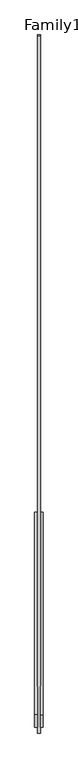
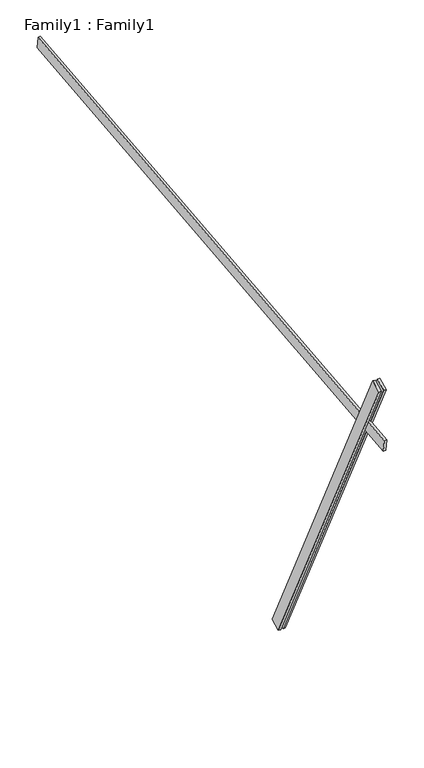
"""IFC4 building model written with IfcOpenShell, lengths in millimetres: proxy geometry, Family1 : Family1."""

from ifc_helpers import new_model, si_unit, frame, origin, place, context, project, spatial, polyline, outline, extrude, source, transform, mapped, element, save


def family1_family1_c6ade66f(model_context):
    return source(origin(), model_context, "Body", "SweptSolid", [
        extrude(outline(polyline([(0.0, 0.0), (-100.0000001, 0.0), (-100.0000001, 20.0), (0.0, 20.0), (0.0, 0.0)])), frame((-30.0, -46.3241747, -22.5938096), z_axis=(0.0, -0.4383711467890692, 0.8987940462991711), x_axis=(0.0, -0.8987940462991711, -0.4383711467890692)), (0.0, 0.0, 1.0), 3300.0),
        extrude(outline(polyline([(0.0, 0.0), (-99.9999999, 0.0), (-99.9999999, 20.0), (0.0, 20.0), (0.0, 0.0)])), frame((10.0, -45.270232, -22.0797674), z_axis=(0.0, -0.4383711467890692, 0.8987940462991711), x_axis=(0.0, -0.8987940462991711, -0.4383711467890692)), (0.0, 0.0, 1.0), 3300.0),
        extrude(outline(polyline([(0.0, 20.0), (5000.0, 20.0), (5000.0, 0.0), (0.0, 0.0), (0.0, 20.0)])), frame((-10.0, 3450.3120931, 2957.9993892), z_axis=(0.0, -0.10452846326765562, 0.9945218953682732), x_axis=(0.0, -0.9945218953682732, -0.10452846326765562)), (0.0, 0.0, 1.0), 100.0),
    ])


if __name__ == "__main__":
    model = new_model("IFC4")
    model_context = context("Model", 3, world=origin())
    ifc_project = project(units=[si_unit("LENGTHUNIT", "METRE", prefix="MILLI")], contexts=[model_context])
    site = spatial("IfcSite", under=ifc_project)
    building = spatial("IfcBuilding", under=site)
    placement = place(None, origin())
    family1_family1_shape = family1_family1_c6ade66f(model_context)
    element("IfcBuildingElementProxy", 1, Name="Family1 : Family1", ObjectType="Family1 : Family1", at=placement, inside=building, context=model_context, shape_type="MappedRepresentation", body=[
        mapped(family1_family1_shape, transform((0.0, 0.0, 0.0), x_axis=(1.0, 0.0, 0.0), y_axis=(0.0, 1.0, 0.0), z_axis=(0.0, 0.0, 1.0))),
    ])
    save(model, "model.ifc")
